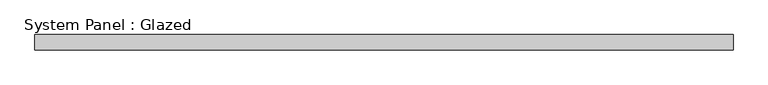
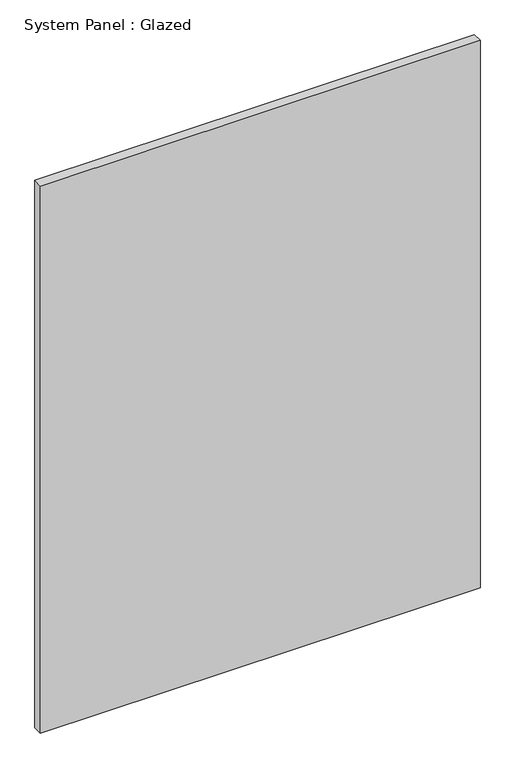
"""IFC4 building model written with IfcOpenShell, lengths in millimetres: plate geometry, System Panel : Glazed."""

from ifc_helpers import new_model, si_unit, origin, origin_with_axes, place, context, project, spatial, polyline, outline, extrude, source, transform, mapped, element, save


def system_panel_glazed_fc1b38e6(model_context):
    return source(origin(), model_context, "Body", "SweptSolid", [
        extrude(outline(polyline([(570.0, 24.5), (-570.0, 24.5), (-570.0, 49.5), (570.0, 49.5), (570.0, 24.5)])), origin_with_axes(), (0.0, 0.0, 1.0), 1500.0),
    ])


if __name__ == "__main__":
    model = new_model("IFC4")
    model_context = context("Model", 3, world=origin())
    ifc_project = project(units=[si_unit("LENGTHUNIT", "METRE", prefix="MILLI")], contexts=[model_context])
    site = spatial("IfcSite", under=ifc_project)
    building = spatial("IfcBuilding", under=site)
    placement = place(None, origin())
    system_panel_glazed_shape = system_panel_glazed_fc1b38e6(model_context)
    element("IfcPlate", 1, ObjectType="System Panel : Glazed", at=placement, inside=building, context=model_context, shape_type="MappedRepresentation", body=[
        mapped(system_panel_glazed_shape, transform((0.0, 0.0, 0.0), x_axis=(1.0, 0.0, 0.0), y_axis=(0.0, 1.0, 0.0), z_axis=(0.0, 0.0, 1.0))),
    ])
    save(model, "model.ifc")
